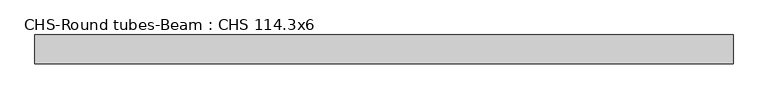
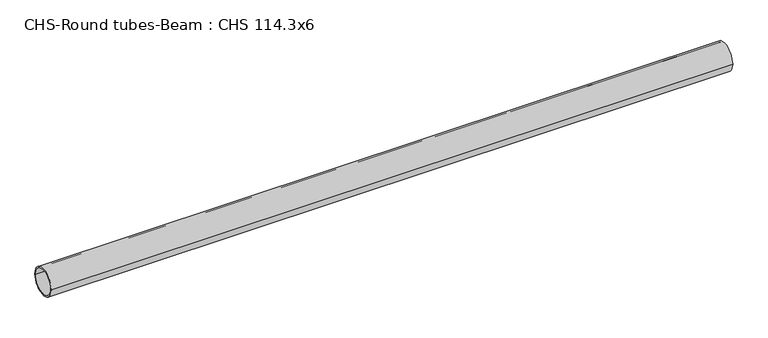
"""IFC4 building model written with IfcOpenShell, lengths in millimetres: beam geometry, CHS-Round tubes-Beam : CHS 114.3x6."""

from ifc_helpers import new_model, si_unit, point, frame, origin, origin_2d, place, context, project, spatial, circle_curve, trimmed, segment, composite_curve, outline, extrude, source, transform, mapped, element, save


def chs_round_tubes_beam_chs_114_3x6_34eb84bc(model_context):
    return source(origin(), model_context, "Body", "SweptSolid", [
        extrude(outline(composite_curve([segment(trimmed(circle_curve(origin_2d(), 57.15), [point((57.15, 0.0))], [point((-57.15, 0.0))], False, "CARTESIAN"), True, "CONTINUOUS"), segment(trimmed(circle_curve(origin_2d(), 57.15), [point((-57.15, 0.0))], [point((57.15, 0.0))], False, "CARTESIAN"), True, "CONTINUOUS")], self_intersect=False), holes=[composite_curve([segment(trimmed(circle_curve(origin_2d(), 51.15), [point((51.15, 0.0))], [point((-51.15, 0.0))], True, "CARTESIAN"), True, "CONTINUOUS"), segment(trimmed(circle_curve(origin_2d(), 51.15), [point((-51.15, 0.0))], [point((51.15, 0.0))], True, "CARTESIAN"), True, "CONTINUOUS")], self_intersect=False)]), frame((-1383.7427311, 0.0, 0.0), z_axis=(1.0, 0.0, 0.0), x_axis=(0.0, 1.0, 0.0)), (0.0, 0.0, 1.0), 2777.3909542),
    ])


if __name__ == "__main__":
    model = new_model("IFC4")
    model_context = context("Model", 3, world=origin())
    ifc_project = project(units=[si_unit("LENGTHUNIT", "METRE", prefix="MILLI")], contexts=[model_context])
    site = spatial("IfcSite", under=ifc_project)
    building = spatial("IfcBuilding", under=site)
    placement = place(None, origin())
    chs_round_tubes_beam_chs_114_3x6_shape = chs_round_tubes_beam_chs_114_3x6_34eb84bc(model_context)
    element("IfcBeam", 1, ObjectType="CHS-Round tubes-Beam : CHS 114.3x6", at=placement, inside=building, context=model_context, shape_type="MappedRepresentation", body=[
        mapped(chs_round_tubes_beam_chs_114_3x6_shape, transform((0.0, 0.0, 0.0), x_axis=(1.0, 0.0, 0.0), y_axis=(0.0, 1.0, 0.0), z_axis=(0.0, 0.0, 1.0))),
    ])
    save(model, "model.ifc")
